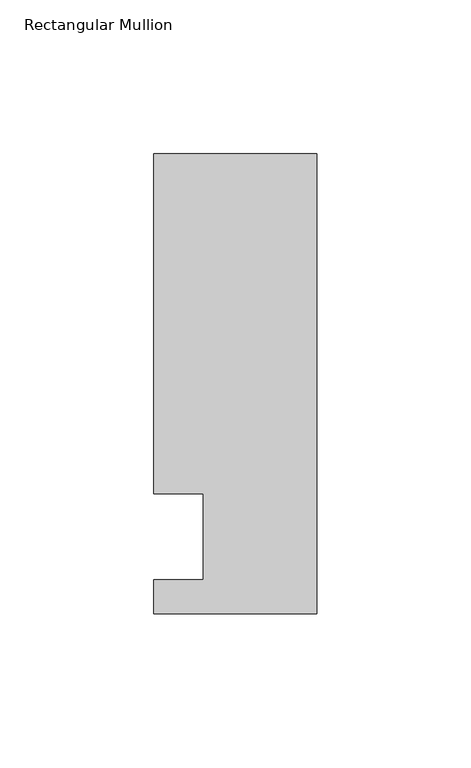
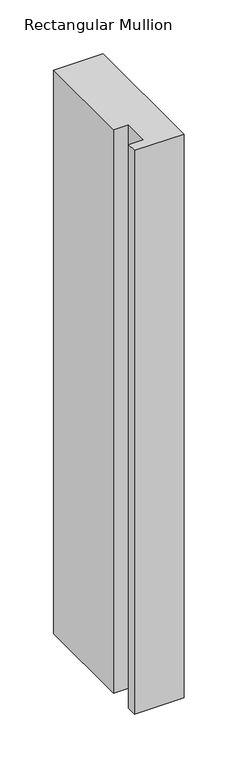
"""IFC4 building model written with IfcOpenShell, lengths in millimetres: member geometry, Rectangular Mullion."""

from ifc_helpers import new_model, si_unit, frame, origin, place, context, project, spatial, polyline, outline, extrude, source, transform, mapped, element, save


def rectangular_mullion_3e7cdaba(model_context):
    return source(origin(), model_context, "Body", "SweptSolid", [
        extrude(outline(polyline([(0.0, -25.0), (-53.0, -25.0), (-53.0, -14.0), (-37.0, -14.0), (-37.0, 14.0), (-53.0, 14.0), (-53.0, 124.5), (0.0, 124.5), (0.0, -25.0)])), frame((0.0, 0.0, -637.636115), z_axis=(0.0, 0.0, 1.0), x_axis=(1.0, 0.0, 0.0)), (0.0, 0.0, 1.0), 637.636115),
    ])


if __name__ == "__main__":
    model = new_model("IFC4")
    model_context = context("Model", 3, world=origin())
    ifc_project = project(units=[si_unit("LENGTHUNIT", "METRE", prefix="MILLI")], contexts=[model_context])
    site = spatial("IfcSite", under=ifc_project)
    building = spatial("IfcBuilding", under=site)
    placement = place(None, origin())
    rectangular_mullion_shape = rectangular_mullion_3e7cdaba(model_context)
    element("IfcMember", 1, ObjectType="Rectangular Mullion", at=placement, inside=building, context=model_context, shape_type="MappedRepresentation", body=[
        mapped(rectangular_mullion_shape, transform((0.0, 0.0, 0.0), x_axis=(1.0, 0.0, 0.0), y_axis=(0.0, 1.0, 0.0), z_axis=(0.0, 0.0, 1.0))),
    ])
    save(model, "model.ifc")
